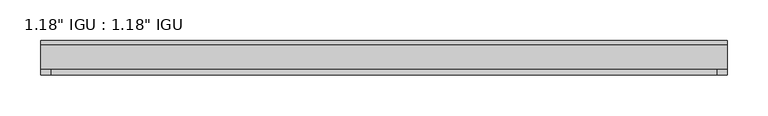
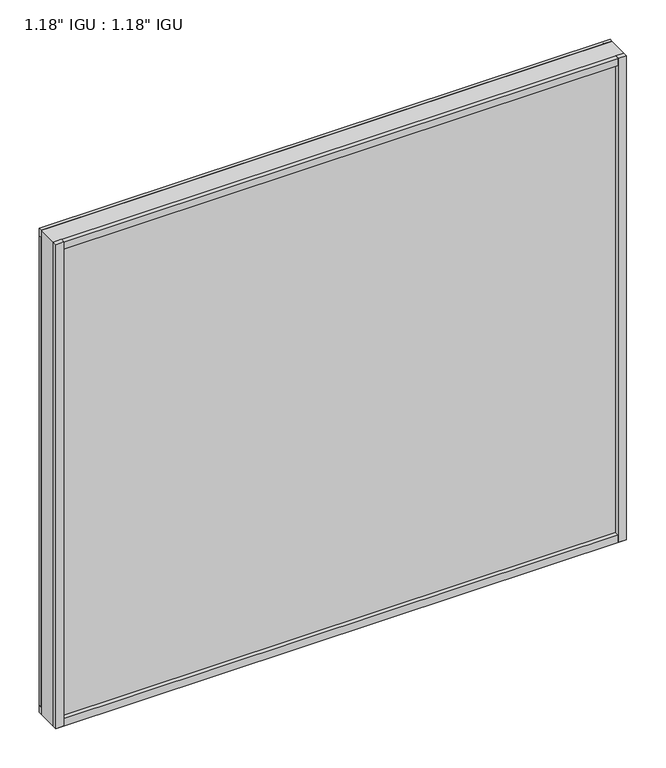
"""IFC4 building model written with IfcOpenShell, lengths in millimetres: plate geometry."""

from ifc_helpers import new_model, si_unit, frame, origin, origin_with_axes, place, context, project, spatial, polyline, outline, extrude, source, transform, mapped, element, save


def plate_a2529514(model_context):
    return source(origin(), model_context, "Body", "SweptSolid", [
        extrude(outline(polyline([(418.5237375, -9.7647125), (418.5237375, -14.5399125), (-418.5237375, -14.5399125), (-418.5237375, -9.7647125), (418.5237375, -9.7647125)])), origin_with_axes(), (0.0, 0.0, 1.0), 11.1252),
        extrude(outline(polyline([(-418.5237375, -14.5399125), (-418.5237375, -9.7647125), (418.5237375, -9.7647125), (418.5237375, -14.5399125), (-418.5237375, -14.5399125)])), frame((0.0, 0.0, 739.3887476), z_axis=(0.0, 0.0, 1.0), x_axis=(1.0, 0.0, 0.0)), (0.0, 0.0, 1.0), 11.1252),
        extrude(outline(polyline([(418.5237375, -44.6643125), (418.5237375, -51.3953125), (406.3860579, -51.3953125), (406.3860579, -44.6643125), (418.5237375, -44.6643125)])), origin_with_axes(), (0.0, 0.0, 1.0), 750.5139476),
        extrude(outline(polyline([(418.5237375, -9.7765488), (418.5237375, -14.5399125), (406.5113137, -14.5399125), (406.5113137, -9.7765488), (418.5237375, -9.7765488)])), origin_with_axes(), (0.0, 0.0, 1.0), 750.5139476),
        extrude(outline(polyline([(-406.5031604, -51.3953125), (-418.5237375, -51.3953125), (-418.5237375, -44.6643125), (-406.5031604, -44.6643125), (-406.5031604, -51.3953125)])), origin_with_axes(), (0.0, 0.0, 1.0), 750.5139476),
        extrude(outline(polyline([(-406.5031604, -14.5399125), (-418.5237375, -14.5399125), (-418.5237375, -9.7647125), (-406.5031604, -9.7647125), (-406.5031604, -14.5399125)])), origin_with_axes(), (0.0, 0.0, 1.0), 750.5139476),
        extrude(outline(polyline([(418.5237375, -44.6643125), (418.5237375, -51.3953125), (-418.5237375, -51.3953125), (-418.5237375, -44.6643125), (418.5237375, -44.6643125)])), origin_with_axes(), (0.0, 0.0, 1.0), 11.1693096),
        extrude(outline(polyline([(418.5237375, -44.6643125), (418.5237375, -51.3953125), (-418.5237375, -51.3953125), (-418.5237375, -44.6643125), (418.5237375, -44.6643125)])), frame((0.0, 0.0, 739.3328418), z_axis=(0.0, 0.0, 1.0), x_axis=(1.0, 0.0, 0.0)), (0.0, 0.0, 1.0), 11.1811058),
        extrude(outline(polyline([(418.5237375, -44.6643125), (-418.5237375, -44.6643125), (-418.5237375, -14.5399125), (418.5237375, -14.5399125), (418.5237375, -44.6643125)])), origin_with_axes(), (0.0, 0.0, 1.0), 750.5139476),
    ])


if __name__ == "__main__":
    model = new_model("IFC4")
    model_context = context("Model", 3, world=origin())
    ifc_project = project(units=[si_unit("LENGTHUNIT", "METRE", prefix="MILLI")], contexts=[model_context])
    site = spatial("IfcSite", under=ifc_project)
    building = spatial("IfcBuilding", under=site)
    placement = place(None, origin())
    plate_shape = plate_a2529514(model_context)
    element("IfcPlate", 1, ObjectType="1.18\" IGU : 1.18\" IGU", at=placement, inside=building, context=model_context, shape_type="MappedRepresentation", body=[
        mapped(plate_shape, transform((0.0, 0.0, 0.0), x_axis=(1.0, 0.0, 0.0), y_axis=(0.0, 1.0, 0.0), z_axis=(0.0, 0.0, 1.0))),
    ])
    save(model, "model.ifc")
